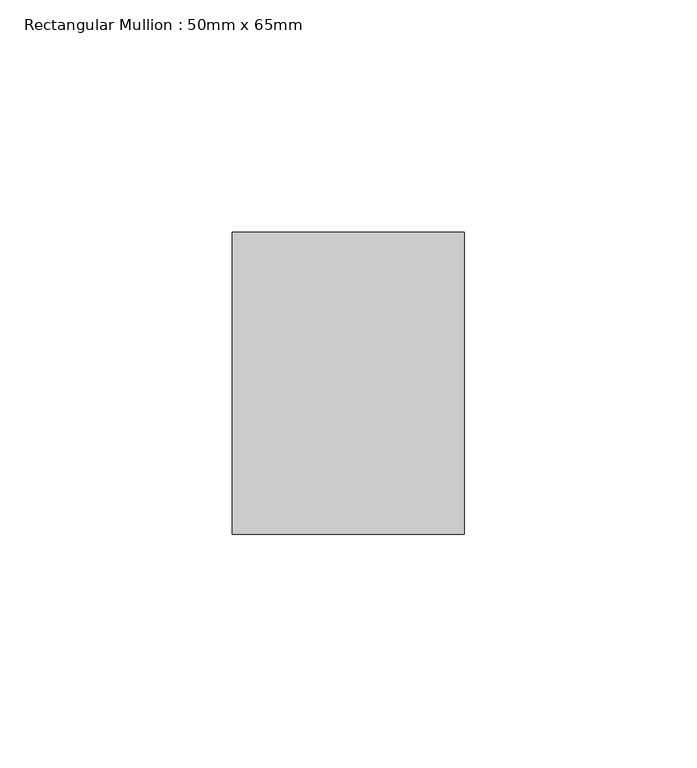
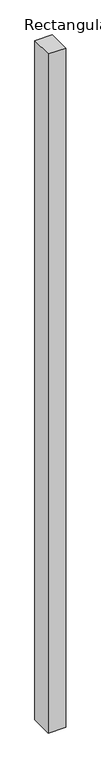
"""IFC4 building model written with IfcOpenShell, lengths in millimetres: member geometry, Rectangular Mullion : 50mm x 65mm."""

from ifc_helpers import new_model, si_unit, frame, origin, place, context, project, spatial, polyline, outline, extrude, source, transform, mapped, element, save


def rectangular_mullion_50mm_x_65mm_7421cbe6(model_context):
    return source(origin(), model_context, "Body", "SweptSolid", [
        extrude(outline(polyline([(25.0, 32.5), (25.0, -32.5), (-25.0, -32.5), (-25.0, 32.5), (25.0, 32.5)])), frame((0.0, 0.0, -2042.0387714), z_axis=(0.0, 0.0, 1.0), x_axis=(1.0, 0.0, 0.0)), (0.0, 0.0, 1.0), 2042.0387714),
    ])


if __name__ == "__main__":
    model = new_model("IFC4")
    model_context = context("Model", 3, world=origin())
    ifc_project = project(units=[si_unit("LENGTHUNIT", "METRE", prefix="MILLI")], contexts=[model_context])
    site = spatial("IfcSite", under=ifc_project)
    building = spatial("IfcBuilding", under=site)
    placement = place(None, origin())
    rectangular_mullion_50mm_x_65mm_shape = rectangular_mullion_50mm_x_65mm_7421cbe6(model_context)
    element("IfcMember", 1, ObjectType="Rectangular Mullion : 50mm x 65mm", at=placement, inside=building, context=model_context, shape_type="MappedRepresentation", body=[
        mapped(rectangular_mullion_50mm_x_65mm_shape, transform((0.0, 0.0, 0.0), x_axis=(1.0, 0.0, 0.0), y_axis=(0.0, 1.0, 0.0), z_axis=(0.0, 0.0, 1.0))),
    ])
    save(model, "model.ifc")
